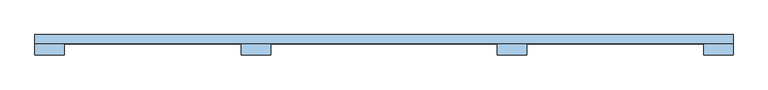
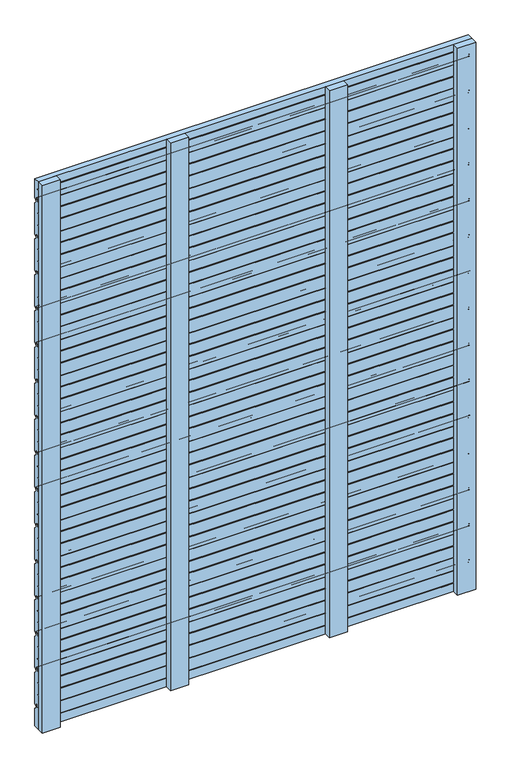
"""IFC4 building model written with IfcOpenShell, lengths in millimetres: window geometry."""

from ifc_helpers import new_model, si_unit, point, frame, frame_2d, origin, place, context, project, spatial, polyline, circle_curve, trimmed, segment, composite_curve, outline, extrude, source, transform, mapped, element, save


def window_2029d6dc(model_context):
    return source(origin(), model_context, "Body", "SweptSolid", [
        extrude(outline(composite_curve([segment(trimmed(circle_curve(frame_2d((129.5, 178.0)), 1.0), [point((130.5, 178.0))], [point((129.5, 177.0))], False, "CARTESIAN"), True, "CONTINUOUS"), segment(polyline([(129.5, 177.0), (124.5, 177.0), (124.5, 222.0), (130.5, 222.0), (130.5, 225.5), (124.5, 225.5), (124.5, 265.5), (130.5, 265.5), (130.5, 269.0), (124.5, 269.0), (124.5, 308.0), (131.0, 308.0), (131.0, 314.5)]), True, "CONTINUOUS"), segment(trimmed(circle_curve(frame_2d((132.5, 314.5)), 1.5), [point((131.0, 314.5))], [point((132.5, 316.0))], False, "CARTESIAN"), True, "CONTINUOUS"), segment(polyline([(132.5, 316.0), (135.5, 316.0)]), True, "CONTINUOUS"), segment(trimmed(circle_curve(frame_2d((135.5, 314.5)), 1.5), [point((135.5, 316.0))], [point((137.0, 314.5))], False, "CARTESIAN"), True, "CONTINUOUS"), segment(polyline([(137.0, 314.5), (137.0, 303.4142136)]), True, "CONTINUOUS"), segment(trimmed(circle_curve(frame_2d((138.0, 303.4142136)), 1.0), [point((137.0, 303.4142136))], [point((137.2928932, 302.7071068))], True, "CARTESIAN"), True, "CONTINUOUS"), segment(polyline([(137.2928932, 302.7071068), (143.5606602, 296.4393398)]), True, "CONTINUOUS"), segment(trimmed(circle_curve(frame_2d((142.5, 295.3786797)), 1.5), [point((143.5606602, 296.4393398))], [point((144.0, 295.3786797))], False, "CARTESIAN"), True, "CONTINUOUS"), segment(polyline([(144.0, 295.3786797), (144.0, 183.2071068)]), True, "CONTINUOUS"), segment(trimmed(circle_curve(frame_2d((142.5, 183.2071068)), 1.5), [point((144.0, 183.2071068))], [point((143.5606602, 182.1464466))], False, "CARTESIAN"), True, "CONTINUOUS"), segment(polyline([(143.5606602, 182.1464466), (138.7071068, 177.2928932)]), True, "CONTINUOUS"), segment(trimmed(circle_curve(frame_2d((138.0, 178.0)), 1.0), [point((138.7071068, 177.2928932))], [point((137.0, 178.0))], False, "CARTESIAN"), True, "CONTINUOUS"), segment(polyline([(137.0, 178.0), (137.0, 184.5)]), True, "CONTINUOUS"), segment(trimmed(circle_curve(frame_2d((135.5, 184.5)), 1.5), [point((137.0, 184.5))], [point((135.5, 186.0))], True, "CARTESIAN"), True, "CONTINUOUS"), segment(polyline([(135.5, 186.0), (132.0, 186.0)]), True, "CONTINUOUS"), segment(trimmed(circle_curve(frame_2d((132.0, 184.5)), 1.5), [point((132.0, 186.0))], [point((130.5, 184.5))], True, "CARTESIAN"), True, "CONTINUOUS"), segment(polyline([(130.5, 184.5), (130.5, 178.0)]), True, "CONTINUOUS")], self_intersect=False)), frame((-750.0, 0.0, 0.0), z_axis=(1.0, 0.0, 0.0), x_axis=(0.0, 1.0, 0.0)), (0.0, 0.0, 1.0), 1500.0),
        extrude(outline(composite_curve([segment(trimmed(circle_curve(frame_2d((129.5, 310.0)), 1.0), [point((130.5, 310.0))], [point((129.5, 309.0))], False, "CARTESIAN"), True, "CONTINUOUS"), segment(polyline([(129.5, 309.0), (124.5, 309.0), (124.5, 354.0), (130.5, 354.0), (130.5, 357.5), (124.5, 357.5), (124.5, 397.5), (130.5, 397.5), (130.5, 401.0), (124.5, 401.0), (124.5, 440.0), (131.0, 440.0), (131.0, 446.5)]), True, "CONTINUOUS"), segment(trimmed(circle_curve(frame_2d((132.5, 446.5)), 1.5), [point((131.0, 446.5))], [point((132.5, 448.0))], False, "CARTESIAN"), True, "CONTINUOUS"), segment(polyline([(132.5, 448.0), (135.5, 448.0)]), True, "CONTINUOUS"), segment(trimmed(circle_curve(frame_2d((135.5, 446.5)), 1.5), [point((135.5, 448.0))], [point((137.0, 446.5))], False, "CARTESIAN"), True, "CONTINUOUS"), segment(polyline([(137.0, 446.5), (137.0, 435.4142136)]), True, "CONTINUOUS"), segment(trimmed(circle_curve(frame_2d((138.0, 435.4142136)), 1.0), [point((137.0, 435.4142136))], [point((137.2928932, 434.7071068))], True, "CARTESIAN"), True, "CONTINUOUS"), segment(polyline([(137.2928932, 434.7071068), (143.5606602, 428.4393398)]), True, "CONTINUOUS"), segment(trimmed(circle_curve(frame_2d((142.5, 427.3786797)), 1.5), [point((143.5606602, 428.4393398))], [point((144.0, 427.3786797))], False, "CARTESIAN"), True, "CONTINUOUS"), segment(polyline([(144.0, 427.3786797), (144.0, 315.2071068)]), True, "CONTINUOUS"), segment(trimmed(circle_curve(frame_2d((142.5, 315.2071068)), 1.5), [point((144.0, 315.2071068))], [point((143.5606602, 314.1464466))], False, "CARTESIAN"), True, "CONTINUOUS"), segment(polyline([(143.5606602, 314.1464466), (138.7071068, 309.2928932)]), True, "CONTINUOUS"), segment(trimmed(circle_curve(frame_2d((138.0, 310.0)), 1.0), [point((138.7071068, 309.2928932))], [point((137.0, 310.0))], False, "CARTESIAN"), True, "CONTINUOUS"), segment(polyline([(137.0, 310.0), (137.0, 316.5)]), True, "CONTINUOUS"), segment(trimmed(circle_curve(frame_2d((135.5, 316.5)), 1.5), [point((137.0, 316.5))], [point((135.5, 318.0))], True, "CARTESIAN"), True, "CONTINUOUS"), segment(polyline([(135.5, 318.0), (132.0, 318.0)]), True, "CONTINUOUS"), segment(trimmed(circle_curve(frame_2d((132.0, 316.5)), 1.5), [point((132.0, 318.0))], [point((130.5, 316.5))], True, "CARTESIAN"), True, "CONTINUOUS"), segment(polyline([(130.5, 316.5), (130.5, 310.0)]), True, "CONTINUOUS")], self_intersect=False)), frame((-750.0, 0.0, 0.0), z_axis=(1.0, 0.0, 0.0), x_axis=(0.0, 1.0, 0.0)), (0.0, 0.0, 1.0), 1500.0),
        extrude(outline(composite_curve([segment(trimmed(circle_curve(frame_2d((129.5, 442.0)), 1.0), [point((130.5, 442.0))], [point((129.5, 441.0))], False, "CARTESIAN"), True, "CONTINUOUS"), segment(polyline([(129.5, 441.0), (124.5, 441.0), (124.5, 486.0), (130.5, 486.0), (130.5, 489.5), (124.5, 489.5), (124.5, 529.5), (130.5, 529.5), (130.5, 533.0), (124.5, 533.0), (124.5, 572.0), (131.0, 572.0), (131.0, 578.5)]), True, "CONTINUOUS"), segment(trimmed(circle_curve(frame_2d((132.5, 578.5)), 1.5), [point((131.0, 578.5))], [point((132.5, 580.0))], False, "CARTESIAN"), True, "CONTINUOUS"), segment(polyline([(132.5, 580.0), (135.5, 580.0)]), True, "CONTINUOUS"), segment(trimmed(circle_curve(frame_2d((135.5, 578.5)), 1.5), [point((135.5, 580.0))], [point((137.0, 578.5))], False, "CARTESIAN"), True, "CONTINUOUS"), segment(polyline([(137.0, 578.5), (137.0, 567.4142136)]), True, "CONTINUOUS"), segment(trimmed(circle_curve(frame_2d((138.0, 567.4142136)), 1.0), [point((137.0, 567.4142136))], [point((137.2928932, 566.7071068))], True, "CARTESIAN"), True, "CONTINUOUS"), segment(polyline([(137.2928932, 566.7071068), (143.5606602, 560.4393398)]), True, "CONTINUOUS"), segment(trimmed(circle_curve(frame_2d((142.5, 559.3786797)), 1.5), [point((143.5606602, 560.4393398))], [point((144.0, 559.3786797))], False, "CARTESIAN"), True, "CONTINUOUS"), segment(polyline([(144.0, 559.3786797), (144.0, 447.2071068)]), True, "CONTINUOUS"), segment(trimmed(circle_curve(frame_2d((142.5, 447.2071068)), 1.5), [point((144.0, 447.2071068))], [point((143.5606602, 446.1464466))], False, "CARTESIAN"), True, "CONTINUOUS"), segment(polyline([(143.5606602, 446.1464466), (138.7071068, 441.2928932)]), True, "CONTINUOUS"), segment(trimmed(circle_curve(frame_2d((138.0, 442.0)), 1.0), [point((138.7071068, 441.2928932))], [point((137.0, 442.0))], False, "CARTESIAN"), True, "CONTINUOUS"), segment(polyline([(137.0, 442.0), (137.0, 448.5)]), True, "CONTINUOUS"), segment(trimmed(circle_curve(frame_2d((135.5, 448.5)), 1.5), [point((137.0, 448.5))], [point((135.5, 450.0))], True, "CARTESIAN"), True, "CONTINUOUS"), segment(polyline([(135.5, 450.0), (132.0, 450.0)]), True, "CONTINUOUS"), segment(trimmed(circle_curve(frame_2d((132.0, 448.5)), 1.5), [point((132.0, 450.0))], [point((130.5, 448.5))], True, "CARTESIAN"), True, "CONTINUOUS"), segment(polyline([(130.5, 448.5), (130.5, 442.0)]), True, "CONTINUOUS")], self_intersect=False)), frame((-750.0, 0.0, 0.0), z_axis=(1.0, 0.0, 0.0), x_axis=(0.0, 1.0, 0.0)), (0.0, 0.0, 1.0), 1500.0),
        extrude(outline(composite_curve([segment(trimmed(circle_curve(frame_2d((129.5, 574.0)), 1.0), [point((130.5, 574.0))], [point((129.5, 573.0))], False, "CARTESIAN"), True, "CONTINUOUS"), segment(polyline([(129.5, 573.0), (124.5, 573.0), (124.5, 618.0), (130.5, 618.0), (130.5, 621.5), (124.5, 621.5), (124.5, 661.5), (130.5, 661.5), (130.5, 665.0), (124.5, 665.0), (124.5, 704.0), (131.0, 704.0), (131.0, 710.5)]), True, "CONTINUOUS"), segment(trimmed(circle_curve(frame_2d((132.5, 710.5)), 1.5), [point((131.0, 710.5))], [point((132.5, 712.0))], False, "CARTESIAN"), True, "CONTINUOUS"), segment(polyline([(132.5, 712.0), (135.5, 712.0)]), True, "CONTINUOUS"), segment(trimmed(circle_curve(frame_2d((135.5, 710.5)), 1.5), [point((135.5, 712.0))], [point((137.0, 710.5))], False, "CARTESIAN"), True, "CONTINUOUS"), segment(polyline([(137.0, 710.5), (137.0, 699.4142136)]), True, "CONTINUOUS"), segment(trimmed(circle_curve(frame_2d((138.0, 699.4142136)), 1.0), [point((137.0, 699.4142136))], [point((137.2928932, 698.7071068))], True, "CARTESIAN"), True, "CONTINUOUS"), segment(polyline([(137.2928932, 698.7071068), (143.5606602, 692.4393398)]), True, "CONTINUOUS"), segment(trimmed(circle_curve(frame_2d((142.5, 691.3786797)), 1.5), [point((143.5606602, 692.4393398))], [point((144.0, 691.3786797))], False, "CARTESIAN"), True, "CONTINUOUS"), segment(polyline([(144.0, 691.3786797), (144.0, 579.2071068)]), True, "CONTINUOUS"), segment(trimmed(circle_curve(frame_2d((142.5, 579.2071068)), 1.5), [point((144.0, 579.2071068))], [point((143.5606602, 578.1464466))], False, "CARTESIAN"), True, "CONTINUOUS"), segment(polyline([(143.5606602, 578.1464466), (138.7071068, 573.2928932)]), True, "CONTINUOUS"), segment(trimmed(circle_curve(frame_2d((138.0, 574.0)), 1.0), [point((138.7071068, 573.2928932))], [point((137.0, 574.0))], False, "CARTESIAN"), True, "CONTINUOUS"), segment(polyline([(137.0, 574.0), (137.0, 580.5)]), True, "CONTINUOUS"), segment(trimmed(circle_curve(frame_2d((135.5, 580.5)), 1.5), [point((137.0, 580.5))], [point((135.5, 582.0))], True, "CARTESIAN"), True, "CONTINUOUS"), segment(polyline([(135.5, 582.0), (132.0, 582.0)]), True, "CONTINUOUS"), segment(trimmed(circle_curve(frame_2d((132.0, 580.5)), 1.5), [point((132.0, 582.0))], [point((130.5, 580.5))], True, "CARTESIAN"), True, "CONTINUOUS"), segment(polyline([(130.5, 580.5), (130.5, 574.0)]), True, "CONTINUOUS")], self_intersect=False)), frame((-750.0, 0.0, 0.0), z_axis=(1.0, 0.0, 0.0), x_axis=(0.0, 1.0, 0.0)), (0.0, 0.0, 1.0), 1500.0),
        extrude(outline(composite_curve([segment(trimmed(circle_curve(frame_2d((129.5, 706.0)), 1.0), [point((130.5, 706.0))], [point((129.5, 705.0))], False, "CARTESIAN"), True, "CONTINUOUS"), segment(polyline([(129.5, 705.0), (124.5, 705.0), (124.5, 750.0), (130.5, 750.0), (130.5, 753.5), (124.5, 753.5), (124.5, 793.5), (130.5, 793.5), (130.5, 797.0), (124.5, 797.0), (124.5, 836.0), (131.0, 836.0), (131.0, 842.5)]), True, "CONTINUOUS"), segment(trimmed(circle_curve(frame_2d((132.5, 842.5)), 1.5), [point((131.0, 842.5))], [point((132.5, 844.0))], False, "CARTESIAN"), True, "CONTINUOUS"), segment(polyline([(132.5, 844.0), (135.5, 844.0)]), True, "CONTINUOUS"), segment(trimmed(circle_curve(frame_2d((135.5, 842.5)), 1.5), [point((135.5, 844.0))], [point((137.0, 842.5))], False, "CARTESIAN"), True, "CONTINUOUS"), segment(polyline([(137.0, 842.5), (137.0, 831.4142136)]), True, "CONTINUOUS"), segment(trimmed(circle_curve(frame_2d((138.0, 831.4142136)), 1.0), [point((137.0, 831.4142136))], [point((137.2928932, 830.7071068))], True, "CARTESIAN"), True, "CONTINUOUS"), segment(polyline([(137.2928932, 830.7071068), (143.5606602, 824.4393398)]), True, "CONTINUOUS"), segment(trimmed(circle_curve(frame_2d((142.5, 823.3786797)), 1.5), [point((143.5606602, 824.4393398))], [point((144.0, 823.3786797))], False, "CARTESIAN"), True, "CONTINUOUS"), segment(polyline([(144.0, 823.3786797), (144.0, 711.2071068)]), True, "CONTINUOUS"), segment(trimmed(circle_curve(frame_2d((142.5, 711.2071068)), 1.5), [point((144.0, 711.2071068))], [point((143.5606602, 710.1464466))], False, "CARTESIAN"), True, "CONTINUOUS"), segment(polyline([(143.5606602, 710.1464466), (138.7071068, 705.2928932)]), True, "CONTINUOUS"), segment(trimmed(circle_curve(frame_2d((138.0, 706.0)), 1.0), [point((138.7071068, 705.2928932))], [point((137.0, 706.0))], False, "CARTESIAN"), True, "CONTINUOUS"), segment(polyline([(137.0, 706.0), (137.0, 712.5)]), True, "CONTINUOUS"), segment(trimmed(circle_curve(frame_2d((135.5, 712.5)), 1.5), [point((137.0, 712.5))], [point((135.5, 714.0))], True, "CARTESIAN"), True, "CONTINUOUS"), segment(polyline([(135.5, 714.0), (132.0, 714.0)]), True, "CONTINUOUS"), segment(trimmed(circle_curve(frame_2d((132.0, 712.5)), 1.5), [point((132.0, 714.0))], [point((130.5, 712.5))], True, "CARTESIAN"), True, "CONTINUOUS"), segment(polyline([(130.5, 712.5), (130.5, 706.0)]), True, "CONTINUOUS")], self_intersect=False)), frame((-750.0, 0.0, 0.0), z_axis=(1.0, 0.0, 0.0), x_axis=(0.0, 1.0, 0.0)), (0.0, 0.0, 1.0), 1500.0),
        extrude(outline(composite_curve([segment(trimmed(circle_curve(frame_2d((129.5, 838.0)), 1.0), [point((130.5, 838.0))], [point((129.5, 837.0))], False, "CARTESIAN"), True, "CONTINUOUS"), segment(polyline([(129.5, 837.0), (124.5, 837.0), (124.5, 882.0), (130.5, 882.0), (130.5, 885.5), (124.5, 885.5), (124.5, 925.5), (130.5, 925.5), (130.5, 929.0), (124.5, 929.0), (124.5, 968.0), (131.0, 968.0), (131.0, 974.5)]), True, "CONTINUOUS"), segment(trimmed(circle_curve(frame_2d((132.5, 974.5)), 1.5), [point((131.0, 974.5))], [point((132.5, 976.0))], False, "CARTESIAN"), True, "CONTINUOUS"), segment(polyline([(132.5, 976.0), (135.5, 976.0)]), True, "CONTINUOUS"), segment(trimmed(circle_curve(frame_2d((135.5, 974.5)), 1.5), [point((135.5, 976.0))], [point((137.0, 974.5))], False, "CARTESIAN"), True, "CONTINUOUS"), segment(polyline([(137.0, 974.5), (137.0, 963.4142136)]), True, "CONTINUOUS"), segment(trimmed(circle_curve(frame_2d((138.0, 963.4142136)), 1.0), [point((137.0, 963.4142136))], [point((137.2928932, 962.7071068))], True, "CARTESIAN"), True, "CONTINUOUS"), segment(polyline([(137.2928932, 962.7071068), (143.5606602, 956.4393398)]), True, "CONTINUOUS"), segment(trimmed(circle_curve(frame_2d((142.5, 955.3786797)), 1.5), [point((143.5606602, 956.4393398))], [point((144.0, 955.3786797))], False, "CARTESIAN"), True, "CONTINUOUS"), segment(polyline([(144.0, 955.3786797), (144.0, 843.2071068)]), True, "CONTINUOUS"), segment(trimmed(circle_curve(frame_2d((142.5, 843.2071068)), 1.5), [point((144.0, 843.2071068))], [point((143.5606602, 842.1464466))], False, "CARTESIAN"), True, "CONTINUOUS"), segment(polyline([(143.5606602, 842.1464466), (138.7071068, 837.2928932)]), True, "CONTINUOUS"), segment(trimmed(circle_curve(frame_2d((138.0, 838.0)), 1.0), [point((138.7071068, 837.2928932))], [point((137.0, 838.0))], False, "CARTESIAN"), True, "CONTINUOUS"), segment(polyline([(137.0, 838.0), (137.0, 844.5)]), True, "CONTINUOUS"), segment(trimmed(circle_curve(frame_2d((135.5, 844.5)), 1.5), [point((137.0, 844.5))], [point((135.5, 846.0))], True, "CARTESIAN"), True, "CONTINUOUS"), segment(polyline([(135.5, 846.0), (132.0, 846.0)]), True, "CONTINUOUS"), segment(trimmed(circle_curve(frame_2d((132.0, 844.5)), 1.5), [point((132.0, 846.0))], [point((130.5, 844.5))], True, "CARTESIAN"), True, "CONTINUOUS"), segment(polyline([(130.5, 844.5), (130.5, 838.0)]), True, "CONTINUOUS")], self_intersect=False)), frame((-750.0, 0.0, 0.0), z_axis=(1.0, 0.0, 0.0), x_axis=(0.0, 1.0, 0.0)), (0.0, 0.0, 1.0), 1500.0),
        extrude(outline(composite_curve([segment(trimmed(circle_curve(frame_2d((129.5, 970.0)), 1.0), [point((130.5, 970.0))], [point((129.5, 969.0))], False, "CARTESIAN"), True, "CONTINUOUS"), segment(polyline([(129.5, 969.0), (124.5, 969.0), (124.5, 1014.0), (130.5, 1014.0), (130.5, 1017.5), (124.5, 1017.5), (124.5, 1057.5), (130.5, 1057.5), (130.5, 1061.0), (124.5, 1061.0), (124.5, 1100.0), (131.0, 1100.0), (131.0, 1106.5)]), True, "CONTINUOUS"), segment(trimmed(circle_curve(frame_2d((132.5, 1106.5)), 1.5), [point((131.0, 1106.5))], [point((132.5, 1108.0))], False, "CARTESIAN"), True, "CONTINUOUS"), segment(polyline([(132.5, 1108.0), (135.5, 1108.0)]), True, "CONTINUOUS"), segment(trimmed(circle_curve(frame_2d((135.5, 1106.5)), 1.5), [point((135.5, 1108.0))], [point((137.0, 1106.5))], False, "CARTESIAN"), True, "CONTINUOUS"), segment(polyline([(137.0, 1106.5), (137.0, 1095.4142136)]), True, "CONTINUOUS"), segment(trimmed(circle_curve(frame_2d((138.0, 1095.4142136)), 1.0), [point((137.0, 1095.4142136))], [point((137.2928932, 1094.7071068))], True, "CARTESIAN"), True, "CONTINUOUS"), segment(polyline([(137.2928932, 1094.7071068), (143.5606602, 1088.4393398)]), True, "CONTINUOUS"), segment(trimmed(circle_curve(frame_2d((142.5, 1087.3786797)), 1.5), [point((143.5606602, 1088.4393398))], [point((144.0, 1087.3786797))], False, "CARTESIAN"), True, "CONTINUOUS"), segment(polyline([(144.0, 1087.3786797), (144.0, 975.2071068)]), True, "CONTINUOUS"), segment(trimmed(circle_curve(frame_2d((142.5, 975.2071068)), 1.5), [point((144.0, 975.2071068))], [point((143.5606602, 974.1464466))], False, "CARTESIAN"), True, "CONTINUOUS"), segment(polyline([(143.5606602, 974.1464466), (138.7071068, 969.2928932)]), True, "CONTINUOUS"), segment(trimmed(circle_curve(frame_2d((138.0, 970.0)), 1.0), [point((138.7071068, 969.2928932))], [point((137.0, 970.0))], False, "CARTESIAN"), True, "CONTINUOUS"), segment(polyline([(137.0, 970.0), (137.0, 976.5)]), True, "CONTINUOUS"), segment(trimmed(circle_curve(frame_2d((135.5, 976.5)), 1.5), [point((137.0, 976.5))], [point((135.5, 978.0))], True, "CARTESIAN"), True, "CONTINUOUS"), segment(polyline([(135.5, 978.0), (132.0, 978.0)]), True, "CONTINUOUS"), segment(trimmed(circle_curve(frame_2d((132.0, 976.5)), 1.5), [point((132.0, 978.0))], [point((130.5, 976.5))], True, "CARTESIAN"), True, "CONTINUOUS"), segment(polyline([(130.5, 976.5), (130.5, 970.0)]), True, "CONTINUOUS")], self_intersect=False)), frame((-750.0, 0.0, 0.0), z_axis=(1.0, 0.0, 0.0), x_axis=(0.0, 1.0, 0.0)), (0.0, 0.0, 1.0), 1500.0),
        extrude(outline(composite_curve([segment(trimmed(circle_curve(frame_2d((129.5, 1102.0)), 1.0), [point((130.5, 1102.0))], [point((129.5, 1101.0))], False, "CARTESIAN"), True, "CONTINUOUS"), segment(polyline([(129.5, 1101.0), (124.5, 1101.0), (124.5, 1146.0), (130.5, 1146.0), (130.5, 1149.5), (124.5, 1149.5), (124.5, 1189.5), (130.5, 1189.5), (130.5, 1193.0), (124.5, 1193.0), (124.5, 1232.0), (131.0, 1232.0), (131.0, 1238.5)]), True, "CONTINUOUS"), segment(trimmed(circle_curve(frame_2d((132.5, 1238.5)), 1.5), [point((131.0, 1238.5))], [point((132.5, 1240.0))], False, "CARTESIAN"), True, "CONTINUOUS"), segment(polyline([(132.5, 1240.0), (135.5, 1240.0)]), True, "CONTINUOUS"), segment(trimmed(circle_curve(frame_2d((135.5, 1238.5)), 1.5), [point((135.5, 1240.0))], [point((137.0, 1238.5))], False, "CARTESIAN"), True, "CONTINUOUS"), segment(polyline([(137.0, 1238.5), (137.0, 1227.4142136)]), True, "CONTINUOUS"), segment(trimmed(circle_curve(frame_2d((138.0, 1227.4142136)), 1.0), [point((137.0, 1227.4142136))], [point((137.2928932, 1226.7071068))], True, "CARTESIAN"), True, "CONTINUOUS"), segment(polyline([(137.2928932, 1226.7071068), (143.5606602, 1220.4393398)]), True, "CONTINUOUS"), segment(trimmed(circle_curve(frame_2d((142.5, 1219.3786797)), 1.5), [point((143.5606602, 1220.4393398))], [point((144.0, 1219.3786797))], False, "CARTESIAN"), True, "CONTINUOUS"), segment(polyline([(144.0, 1219.3786797), (144.0, 1107.2071068)]), True, "CONTINUOUS"), segment(trimmed(circle_curve(frame_2d((142.5, 1107.2071068)), 1.5), [point((144.0, 1107.2071068))], [point((143.5606602, 1106.1464466))], False, "CARTESIAN"), True, "CONTINUOUS"), segment(polyline([(143.5606602, 1106.1464466), (138.7071068, 1101.2928932)]), True, "CONTINUOUS"), segment(trimmed(circle_curve(frame_2d((138.0, 1102.0)), 1.0), [point((138.7071068, 1101.2928932))], [point((137.0, 1102.0))], False, "CARTESIAN"), True, "CONTINUOUS"), segment(polyline([(137.0, 1102.0), (137.0, 1108.5)]), True, "CONTINUOUS"), segment(trimmed(circle_curve(frame_2d((135.5, 1108.5)), 1.5), [point((137.0, 1108.5))], [point((135.5, 1110.0))], True, "CARTESIAN"), True, "CONTINUOUS"), segment(polyline([(135.5, 1110.0), (132.0, 1110.0)]), True, "CONTINUOUS"), segment(trimmed(circle_curve(frame_2d((132.0, 1108.5)), 1.5), [point((132.0, 1110.0))], [point((130.5, 1108.5))], True, "CARTESIAN"), True, "CONTINUOUS"), segment(polyline([(130.5, 1108.5), (130.5, 1102.0)]), True, "CONTINUOUS")], self_intersect=False)), frame((-750.0, 0.0, 0.0), z_axis=(1.0, 0.0, 0.0), x_axis=(0.0, 1.0, 0.0)), (0.0, 0.0, 1.0), 1500.0),
        extrude(outline(composite_curve([segment(trimmed(circle_curve(frame_2d((129.5, 1234.0)), 1.0), [point((130.5, 1234.0))], [point((129.5, 1233.0))], False, "CARTESIAN"), True, "CONTINUOUS"), segment(polyline([(129.5, 1233.0), (124.5, 1233.0), (124.5, 1278.0), (130.5, 1278.0), (130.5, 1281.5), (124.5, 1281.5), (124.5, 1321.5), (130.5, 1321.5), (130.5, 1325.0), (124.5, 1325.0), (124.5, 1364.0), (131.0, 1364.0), (131.0, 1370.5)]), True, "CONTINUOUS"), segment(trimmed(circle_curve(frame_2d((132.5, 1370.5)), 1.5), [point((131.0, 1370.5))], [point((132.5, 1372.0))], False, "CARTESIAN"), True, "CONTINUOUS"), segment(polyline([(132.5, 1372.0), (135.5, 1372.0)]), True, "CONTINUOUS"), segment(trimmed(circle_curve(frame_2d((135.5, 1370.5)), 1.5), [point((135.5, 1372.0))], [point((137.0, 1370.5))], False, "CARTESIAN"), True, "CONTINUOUS"), segment(polyline([(137.0, 1370.5), (137.0, 1359.4142136)]), True, "CONTINUOUS"), segment(trimmed(circle_curve(frame_2d((138.0, 1359.4142136)), 1.0), [point((137.0, 1359.4142136))], [point((137.2928932, 1358.7071068))], True, "CARTESIAN"), True, "CONTINUOUS"), segment(polyline([(137.2928932, 1358.7071068), (143.5606602, 1352.4393398)]), True, "CONTINUOUS"), segment(trimmed(circle_curve(frame_2d((142.5, 1351.3786797)), 1.5), [point((143.5606602, 1352.4393398))], [point((144.0, 1351.3786797))], False, "CARTESIAN"), True, "CONTINUOUS"), segment(polyline([(144.0, 1351.3786797), (144.0, 1239.2071068)]), True, "CONTINUOUS"), segment(trimmed(circle_curve(frame_2d((142.5, 1239.2071068)), 1.5), [point((144.0, 1239.2071068))], [point((143.5606602, 1238.1464466))], False, "CARTESIAN"), True, "CONTINUOUS"), segment(polyline([(143.5606602, 1238.1464466), (138.7071068, 1233.2928932)]), True, "CONTINUOUS"), segment(trimmed(circle_curve(frame_2d((138.0, 1234.0)), 1.0), [point((138.7071068, 1233.2928932))], [point((137.0, 1234.0))], False, "CARTESIAN"), True, "CONTINUOUS"), segment(polyline([(137.0, 1234.0), (137.0, 1240.5)]), True, "CONTINUOUS"), segment(trimmed(circle_curve(frame_2d((135.5, 1240.5)), 1.5), [point((137.0, 1240.5))], [point((135.5, 1242.0))], True, "CARTESIAN"), True, "CONTINUOUS"), segment(polyline([(135.5, 1242.0), (132.0, 1242.0)]), True, "CONTINUOUS"), segment(trimmed(circle_curve(frame_2d((132.0, 1240.5)), 1.5), [point((132.0, 1242.0))], [point((130.5, 1240.5))], True, "CARTESIAN"), True, "CONTINUOUS"), segment(polyline([(130.5, 1240.5), (130.5, 1234.0)]), True, "CONTINUOUS")], self_intersect=False)), frame((-750.0, 0.0, 0.0), z_axis=(1.0, 0.0, 0.0), x_axis=(0.0, 1.0, 0.0)), (0.0, 0.0, 1.0), 1500.0),
        extrude(outline(composite_curve([segment(trimmed(circle_curve(frame_2d((129.5, 1366.0)), 1.0), [point((130.5, 1366.0))], [point((129.5, 1365.0))], False, "CARTESIAN"), True, "CONTINUOUS"), segment(polyline([(129.5, 1365.0), (124.5, 1365.0), (124.5, 1410.0), (130.5, 1410.0), (130.5, 1413.5), (124.5, 1413.5), (124.5, 1453.5), (130.5, 1453.5), (130.5, 1457.0), (124.5, 1457.0), (124.5, 1496.0), (131.0, 1496.0), (131.0, 1502.5)]), True, "CONTINUOUS"), segment(trimmed(circle_curve(frame_2d((132.5, 1502.5)), 1.5), [point((131.0, 1502.5))], [point((132.5, 1504.0))], False, "CARTESIAN"), True, "CONTINUOUS"), segment(polyline([(132.5, 1504.0), (135.5, 1504.0)]), True, "CONTINUOUS"), segment(trimmed(circle_curve(frame_2d((135.5, 1502.5)), 1.5), [point((135.5, 1504.0))], [point((137.0, 1502.5))], False, "CARTESIAN"), True, "CONTINUOUS"), segment(polyline([(137.0, 1502.5), (137.0, 1491.4142136)]), True, "CONTINUOUS"), segment(trimmed(circle_curve(frame_2d((138.0, 1491.4142136)), 1.0), [point((137.0, 1491.4142136))], [point((137.2928932, 1490.7071068))], True, "CARTESIAN"), True, "CONTINUOUS"), segment(polyline([(137.2928932, 1490.7071068), (143.5606602, 1484.4393398)]), True, "CONTINUOUS"), segment(trimmed(circle_curve(frame_2d((142.5, 1483.3786797)), 1.5), [point((143.5606602, 1484.4393398))], [point((144.0, 1483.3786797))], False, "CARTESIAN"), True, "CONTINUOUS"), segment(polyline([(144.0, 1483.3786797), (144.0, 1371.2071068)]), True, "CONTINUOUS"), segment(trimmed(circle_curve(frame_2d((142.5, 1371.2071068)), 1.5), [point((144.0, 1371.2071068))], [point((143.5606602, 1370.1464466))], False, "CARTESIAN"), True, "CONTINUOUS"), segment(polyline([(143.5606602, 1370.1464466), (138.7071068, 1365.2928932)]), True, "CONTINUOUS"), segment(trimmed(circle_curve(frame_2d((138.0, 1366.0)), 1.0), [point((138.7071068, 1365.2928932))], [point((137.0, 1366.0))], False, "CARTESIAN"), True, "CONTINUOUS"), segment(polyline([(137.0, 1366.0), (137.0, 1372.5)]), True, "CONTINUOUS"), segment(trimmed(circle_curve(frame_2d((135.5, 1372.5)), 1.5), [point((137.0, 1372.5))], [point((135.5, 1374.0))], True, "CARTESIAN"), True, "CONTINUOUS"), segment(polyline([(135.5, 1374.0), (132.0, 1374.0)]), True, "CONTINUOUS"), segment(trimmed(circle_curve(frame_2d((132.0, 1372.5)), 1.5), [point((132.0, 1374.0))], [point((130.5, 1372.5))], True, "CARTESIAN"), True, "CONTINUOUS"), segment(polyline([(130.5, 1372.5), (130.5, 1366.0)]), True, "CONTINUOUS")], self_intersect=False)), frame((-750.0, 0.0, 0.0), z_axis=(1.0, 0.0, 0.0), x_axis=(0.0, 1.0, 0.0)), (0.0, 0.0, 1.0), 1500.0),
        extrude(outline(composite_curve([segment(trimmed(circle_curve(frame_2d((129.5, 1498.0)), 1.0), [point((130.5, 1498.0))], [point((129.5, 1497.0))], False, "CARTESIAN"), True, "CONTINUOUS"), segment(polyline([(129.5, 1497.0), (124.5, 1497.0), (124.5, 1542.0), (130.5, 1542.0), (130.5, 1545.5), (124.5, 1545.5), (124.5, 1585.5), (130.5, 1585.5), (130.5, 1589.0), (124.5, 1589.0), (124.5, 1628.0), (131.0, 1628.0), (131.0, 1634.5)]), True, "CONTINUOUS"), segment(trimmed(circle_curve(frame_2d((132.5, 1634.5)), 1.5), [point((131.0, 1634.5))], [point((132.5, 1636.0))], False, "CARTESIAN"), True, "CONTINUOUS"), segment(polyline([(132.5, 1636.0), (135.5, 1636.0)]), True, "CONTINUOUS"), segment(trimmed(circle_curve(frame_2d((135.5, 1634.5)), 1.5), [point((135.5, 1636.0))], [point((137.0, 1634.5))], False, "CARTESIAN"), True, "CONTINUOUS"), segment(polyline([(137.0, 1634.5), (137.0, 1623.4142136)]), True, "CONTINUOUS"), segment(trimmed(circle_curve(frame_2d((138.0, 1623.4142136)), 1.0), [point((137.0, 1623.4142136))], [point((137.2928932, 1622.7071068))], True, "CARTESIAN"), True, "CONTINUOUS"), segment(polyline([(137.2928932, 1622.7071068), (143.5606602, 1616.4393398)]), True, "CONTINUOUS"), segment(trimmed(circle_curve(frame_2d((142.5, 1615.3786797)), 1.5), [point((143.5606602, 1616.4393398))], [point((144.0, 1615.3786797))], False, "CARTESIAN"), True, "CONTINUOUS"), segment(polyline([(144.0, 1615.3786797), (144.0, 1503.2071068)]), True, "CONTINUOUS"), segment(trimmed(circle_curve(frame_2d((142.5, 1503.2071068)), 1.5), [point((144.0, 1503.2071068))], [point((143.5606602, 1502.1464466))], False, "CARTESIAN"), True, "CONTINUOUS"), segment(polyline([(143.5606602, 1502.1464466), (138.7071068, 1497.2928932)]), True, "CONTINUOUS"), segment(trimmed(circle_curve(frame_2d((138.0, 1498.0)), 1.0), [point((138.7071068, 1497.2928932))], [point((137.0, 1498.0))], False, "CARTESIAN"), True, "CONTINUOUS"), segment(polyline([(137.0, 1498.0), (137.0, 1504.5)]), True, "CONTINUOUS"), segment(trimmed(circle_curve(frame_2d((135.5, 1504.5)), 1.5), [point((137.0, 1504.5))], [point((135.5, 1506.0))], True, "CARTESIAN"), True, "CONTINUOUS"), segment(polyline([(135.5, 1506.0), (132.0, 1506.0)]), True, "CONTINUOUS"), segment(trimmed(circle_curve(frame_2d((132.0, 1504.5)), 1.5), [point((132.0, 1506.0))], [point((130.5, 1504.5))], True, "CARTESIAN"), True, "CONTINUOUS"), segment(polyline([(130.5, 1504.5), (130.5, 1498.0)]), True, "CONTINUOUS")], self_intersect=False)), frame((-750.0, 0.0, 0.0), z_axis=(1.0, 0.0, 0.0), x_axis=(0.0, 1.0, 0.0)), (0.0, 0.0, 1.0), 1500.0),
        extrude(outline(composite_curve([segment(trimmed(circle_curve(frame_2d((129.5, 1630.0)), 1.0), [point((130.5, 1630.0))], [point((129.5, 1629.0))], False, "CARTESIAN"), True, "CONTINUOUS"), segment(polyline([(129.5, 1629.0), (124.5, 1629.0), (124.5, 1674.0), (130.5, 1674.0), (130.5, 1677.5), (124.5, 1677.5), (124.5, 1717.5), (130.5, 1717.5), (130.5, 1721.0), (124.5, 1721.0), (124.5, 1760.0), (131.0, 1760.0), (131.0, 1766.5)]), True, "CONTINUOUS"), segment(trimmed(circle_curve(frame_2d((132.5, 1766.5)), 1.5), [point((131.0, 1766.5))], [point((132.5, 1768.0))], False, "CARTESIAN"), True, "CONTINUOUS"), segment(polyline([(132.5, 1768.0), (135.5, 1768.0)]), True, "CONTINUOUS"), segment(trimmed(circle_curve(frame_2d((135.5, 1766.5)), 1.5), [point((135.5, 1768.0))], [point((137.0, 1766.5))], False, "CARTESIAN"), True, "CONTINUOUS"), segment(polyline([(137.0, 1766.5), (137.0, 1755.4142136)]), True, "CONTINUOUS"), segment(trimmed(circle_curve(frame_2d((138.0, 1755.4142136)), 1.0), [point((137.0, 1755.4142136))], [point((137.2928932, 1754.7071068))], True, "CARTESIAN"), True, "CONTINUOUS"), segment(polyline([(137.2928932, 1754.7071068), (143.5606602, 1748.4393398)]), True, "CONTINUOUS"), segment(trimmed(circle_curve(frame_2d((142.5, 1747.3786797)), 1.5), [point((143.5606602, 1748.4393398))], [point((144.0, 1747.3786797))], False, "CARTESIAN"), True, "CONTINUOUS"), segment(polyline([(144.0, 1747.3786797), (144.0, 1635.2071068)]), True, "CONTINUOUS"), segment(trimmed(circle_curve(frame_2d((142.5, 1635.2071068)), 1.5), [point((144.0, 1635.2071068))], [point((143.5606602, 1634.1464466))], False, "CARTESIAN"), True, "CONTINUOUS"), segment(polyline([(143.5606602, 1634.1464466), (138.7071068, 1629.2928932)]), True, "CONTINUOUS"), segment(trimmed(circle_curve(frame_2d((138.0, 1630.0)), 1.0), [point((138.7071068, 1629.2928932))], [point((137.0, 1630.0))], False, "CARTESIAN"), True, "CONTINUOUS"), segment(polyline([(137.0, 1630.0), (137.0, 1636.5)]), True, "CONTINUOUS"), segment(trimmed(circle_curve(frame_2d((135.5, 1636.5)), 1.5), [point((137.0, 1636.5))], [point((135.5, 1638.0))], True, "CARTESIAN"), True, "CONTINUOUS"), segment(polyline([(135.5, 1638.0), (132.0, 1638.0)]), True, "CONTINUOUS"), segment(trimmed(circle_curve(frame_2d((132.0, 1636.5)), 1.5), [point((132.0, 1638.0))], [point((130.5, 1636.5))], True, "CARTESIAN"), True, "CONTINUOUS"), segment(polyline([(130.5, 1636.5), (130.5, 1630.0)]), True, "CONTINUOUS")], self_intersect=False)), frame((-750.0, 0.0, 0.0), z_axis=(1.0, 0.0, 0.0), x_axis=(0.0, 1.0, 0.0)), (0.0, 0.0, 1.0), 1500.0),
        extrude(outline(composite_curve([segment(trimmed(circle_curve(frame_2d((129.5, 1762.0)), 1.0), [point((130.5, 1762.0))], [point((129.5, 1761.0))], False, "CARTESIAN"), True, "CONTINUOUS"), segment(polyline([(129.5, 1761.0), (124.5, 1761.0), (124.5, 1806.0), (130.5, 1806.0), (130.5, 1809.5), (124.5, 1809.5), (124.5, 1849.5), (130.5, 1849.5), (130.5, 1853.0), (124.5, 1853.0), (124.5, 1892.0), (131.0, 1892.0), (131.0, 1898.5)]), True, "CONTINUOUS"), segment(trimmed(circle_curve(frame_2d((132.5, 1898.5)), 1.5), [point((131.0, 1898.5))], [point((132.5, 1900.0))], False, "CARTESIAN"), True, "CONTINUOUS"), segment(polyline([(132.5, 1900.0), (135.5, 1900.0)]), True, "CONTINUOUS"), segment(trimmed(circle_curve(frame_2d((135.5, 1898.5)), 1.5), [point((135.5, 1900.0))], [point((137.0, 1898.5))], False, "CARTESIAN"), True, "CONTINUOUS"), segment(polyline([(137.0, 1898.5), (137.0, 1887.4142136)]), True, "CONTINUOUS"), segment(trimmed(circle_curve(frame_2d((138.0, 1887.4142136)), 1.0), [point((137.0, 1887.4142136))], [point((137.2928932, 1886.7071068))], True, "CARTESIAN"), True, "CONTINUOUS"), segment(polyline([(137.2928932, 1886.7071068), (143.5606602, 1880.4393398)]), True, "CONTINUOUS"), segment(trimmed(circle_curve(frame_2d((142.5, 1879.3786797)), 1.5), [point((143.5606602, 1880.4393398))], [point((144.0, 1879.3786797))], False, "CARTESIAN"), True, "CONTINUOUS"), segment(polyline([(144.0, 1879.3786797), (144.0, 1767.2071068)]), True, "CONTINUOUS"), segment(trimmed(circle_curve(frame_2d((142.5, 1767.2071068)), 1.5), [point((144.0, 1767.2071068))], [point((143.5606602, 1766.1464466))], False, "CARTESIAN"), True, "CONTINUOUS"), segment(polyline([(143.5606602, 1766.1464466), (138.7071068, 1761.2928932)]), True, "CONTINUOUS"), segment(trimmed(circle_curve(frame_2d((138.0, 1762.0)), 1.0), [point((138.7071068, 1761.2928932))], [point((137.0, 1762.0))], False, "CARTESIAN"), True, "CONTINUOUS"), segment(polyline([(137.0, 1762.0), (137.0, 1768.5)]), True, "CONTINUOUS"), segment(trimmed(circle_curve(frame_2d((135.5, 1768.5)), 1.5), [point((137.0, 1768.5))], [point((135.5, 1770.0))], True, "CARTESIAN"), True, "CONTINUOUS"), segment(polyline([(135.5, 1770.0), (132.0, 1770.0)]), True, "CONTINUOUS"), segment(trimmed(circle_curve(frame_2d((132.0, 1768.5)), 1.5), [point((132.0, 1770.0))], [point((130.5, 1768.5))], True, "CARTESIAN"), True, "CONTINUOUS"), segment(polyline([(130.5, 1768.5), (130.5, 1762.0)]), True, "CONTINUOUS")], self_intersect=False)), frame((-750.0, 0.0, 0.0), z_axis=(1.0, 0.0, 0.0), x_axis=(0.0, 1.0, 0.0)), (0.0, 0.0, 1.0), 1500.0),
        extrude(outline(composite_curve([segment(trimmed(circle_curve(frame_2d((129.5, 1894.0)), 1.0), [point((130.5, 1894.0))], [point((129.5, 1893.0))], False, "CARTESIAN"), True, "CONTINUOUS"), segment(polyline([(129.5, 1893.0), (124.5, 1893.0), (124.5, 1938.0), (130.5, 1938.0), (130.5, 1941.5), (124.5, 1941.5), (124.5, 1981.5), (130.5, 1981.5), (130.5, 1985.0), (124.5, 1985.0), (124.5, 2024.0), (131.0, 2024.0), (131.0, 2030.5)]), True, "CONTINUOUS"), segment(trimmed(circle_curve(frame_2d((132.5, 2030.5)), 1.5), [point((131.0, 2030.5))], [point((132.5, 2032.0))], False, "CARTESIAN"), True, "CONTINUOUS"), segment(polyline([(132.5, 2032.0), (135.5, 2032.0)]), True, "CONTINUOUS"), segment(trimmed(circle_curve(frame_2d((135.5, 2030.5)), 1.5), [point((135.5, 2032.0))], [point((137.0, 2030.5))], False, "CARTESIAN"), True, "CONTINUOUS"), segment(polyline([(137.0, 2030.5), (137.0, 2019.4142136)]), True, "CONTINUOUS"), segment(trimmed(circle_curve(frame_2d((138.0, 2019.4142136)), 1.0), [point((137.0, 2019.4142136))], [point((137.2928932, 2018.7071068))], True, "CARTESIAN"), True, "CONTINUOUS"), segment(polyline([(137.2928932, 2018.7071068), (143.5606602, 2012.4393398)]), True, "CONTINUOUS"), segment(trimmed(circle_curve(frame_2d((142.5, 2011.3786797)), 1.5), [point((143.5606602, 2012.4393398))], [point((144.0, 2011.3786797))], False, "CARTESIAN"), True, "CONTINUOUS"), segment(polyline([(144.0, 2011.3786797), (144.0, 1899.2071068)]), True, "CONTINUOUS"), segment(trimmed(circle_curve(frame_2d((142.5, 1899.2071068)), 1.5), [point((144.0, 1899.2071068))], [point((143.5606602, 1898.1464466))], False, "CARTESIAN"), True, "CONTINUOUS"), segment(polyline([(143.5606602, 1898.1464466), (138.7071068, 1893.2928932)]), True, "CONTINUOUS"), segment(trimmed(circle_curve(frame_2d((138.0, 1894.0)), 1.0), [point((138.7071068, 1893.2928932))], [point((137.0, 1894.0))], False, "CARTESIAN"), True, "CONTINUOUS"), segment(polyline([(137.0, 1894.0), (137.0, 1900.5)]), True, "CONTINUOUS"), segment(trimmed(circle_curve(frame_2d((135.5, 1900.5)), 1.5), [point((137.0, 1900.5))], [point((135.5, 1902.0))], True, "CARTESIAN"), True, "CONTINUOUS"), segment(polyline([(135.5, 1902.0), (132.0, 1902.0)]), True, "CONTINUOUS"), segment(trimmed(circle_curve(frame_2d((132.0, 1900.5)), 1.5), [point((132.0, 1902.0))], [point((130.5, 1900.5))], True, "CARTESIAN"), True, "CONTINUOUS"), segment(polyline([(130.5, 1900.5), (130.5, 1894.0)]), True, "CONTINUOUS")], self_intersect=False)), frame((-750.0, 0.0, 0.0), z_axis=(1.0, 0.0, 0.0), x_axis=(0.0, 1.0, 0.0)), (0.0, 0.0, 1.0), 1500.0),
        extrude(outline(composite_curve([segment(trimmed(circle_curve(frame_2d((142.5, 163.3786797)), 1.5), [point((143.5606602, 164.4393398))], [point((144.0, 163.3786797))], False, "CARTESIAN"), True, "CONTINUOUS"), segment(polyline([(144.0, 163.3786797), (144.0, 100.0), (124.5, 100.0), (124.5, 129.4389298), (130.5, 129.4389298), (130.5, 132.9389298), (124.5, 132.9389298), (124.5, 176.0), (131.0, 176.0), (131.0, 182.5)]), True, "CONTINUOUS"), segment(trimmed(circle_curve(frame_2d((132.5, 182.5)), 1.5), [point((131.0, 182.5))], [point((132.5, 184.0))], False, "CARTESIAN"), True, "CONTINUOUS"), segment(polyline([(132.5, 184.0), (135.5, 184.0)]), True, "CONTINUOUS"), segment(trimmed(circle_curve(frame_2d((135.5, 182.5)), 1.5), [point((135.5, 184.0))], [point((137.0, 182.5))], False, "CARTESIAN"), True, "CONTINUOUS"), segment(polyline([(137.0, 182.5), (137.0, 171.4142136)]), True, "CONTINUOUS"), segment(trimmed(circle_curve(frame_2d((138.0, 171.4142136)), 1.0), [point((137.0, 171.4142136))], [point((137.2928932, 170.7071068))], True, "CARTESIAN"), True, "CONTINUOUS"), segment(polyline([(137.2928932, 170.7071068), (143.5606602, 164.4393398)]), True, "CONTINUOUS")], self_intersect=False)), frame((-750.0, 0.0, 0.0), z_axis=(1.0, 0.0, 0.0), x_axis=(0.0, 1.0, 0.0)), (0.0, 0.0, 1.0), 1500.0),
        extrude(outline(composite_curve([segment(trimmed(circle_curve(frame_2d((129.5, 2026.0)), 1.0), [point((130.5, 2026.0))], [point((129.5, 2025.0))], False, "CARTESIAN"), True, "CONTINUOUS"), segment(polyline([(129.5, 2025.0), (124.5, 2025.0), (124.5, 2070.0), (130.5, 2070.0), (130.5, 2073.5), (124.5, 2073.5), (124.5, 2100.0), (144.0, 2100.0), (144.0, 2031.2071068)]), True, "CONTINUOUS"), segment(trimmed(circle_curve(frame_2d((142.5, 2031.2071068)), 1.5), [point((144.0, 2031.2071068))], [point((143.5606602, 2030.1464466))], False, "CARTESIAN"), True, "CONTINUOUS"), segment(polyline([(143.5606602, 2030.1464466), (138.7071068, 2025.2928932)]), True, "CONTINUOUS"), segment(trimmed(circle_curve(frame_2d((138.0, 2026.0)), 1.0), [point((138.7071068, 2025.2928932))], [point((137.0, 2026.0))], False, "CARTESIAN"), True, "CONTINUOUS"), segment(polyline([(137.0, 2026.0), (137.0, 2032.5)]), True, "CONTINUOUS"), segment(trimmed(circle_curve(frame_2d((135.5, 2032.5)), 1.5), [point((137.0, 2032.5))], [point((135.5, 2034.0))], True, "CARTESIAN"), True, "CONTINUOUS"), segment(polyline([(135.5, 2034.0), (132.0, 2034.0)]), True, "CONTINUOUS"), segment(trimmed(circle_curve(frame_2d((132.0, 2032.5)), 1.5), [point((132.0, 2034.0))], [point((130.5, 2032.5))], True, "CARTESIAN"), True, "CONTINUOUS"), segment(polyline([(130.5, 2032.5), (130.5, 2026.0)]), True, "CONTINUOUS")], self_intersect=False)), frame((-750.0, 0.0, 0.0), z_axis=(1.0, 0.0, 0.0), x_axis=(0.0, 1.0, 0.0)), (0.0, 0.0, 1.0), 1500.0),
        extrude(outline(polyline([(-306.5, 124.0), (-243.5, 124.0), (-243.5, 100.0), (-306.5, 100.0), (-306.5, 124.0)])), frame((0.0, 0.0, 100.0), z_axis=(0.0, 0.0, 1.0), x_axis=(1.0, 0.0, 0.0)), (0.0, 0.0, 1.0), 2000.0),
        extrude(outline(polyline([(243.5, 124.0), (306.5, 124.0), (306.5, 100.0), (243.5, 100.0), (243.5, 124.0)])), frame((0.0, 0.0, 100.0), z_axis=(0.0, 0.0, 1.0), x_axis=(1.0, 0.0, 0.0)), (0.0, 0.0, 1.0), 2000.0),
        extrude(outline(polyline([(-750.0, 124.0), (-687.0, 124.0), (-687.0, 100.0), (-750.0, 100.0), (-750.0, 124.0)])), frame((0.0, 0.0, 100.0), z_axis=(0.0, 0.0, 1.0), x_axis=(1.0, 0.0, 0.0)), (0.0, 0.0, 1.0), 2000.0),
        extrude(outline(polyline([(687.0, 124.0), (750.0, 124.0), (750.0, 100.0), (687.0, 100.0), (687.0, 124.0)])), frame((0.0, 0.0, 100.0), z_axis=(0.0, 0.0, 1.0), x_axis=(1.0, 0.0, 0.0)), (0.0, 0.0, 1.0), 2000.0),
    ])


if __name__ == "__main__":
    model = new_model("IFC4")
    model_context = context("Model", 3, world=origin())
    ifc_project = project(units=[si_unit("LENGTHUNIT", "METRE", prefix="MILLI")], contexts=[model_context])
    site = spatial("IfcSite", under=ifc_project)
    building = spatial("IfcBuilding", under=site)
    placement = place(None, origin())
    window_shape = window_2029d6dc(model_context)
    element("IfcWindow", 1, at=placement, inside=building, context=model_context, shape_type="MappedRepresentation", body=[
        mapped(window_shape, transform((0.0, 0.0, 0.0), x_axis=(1.0, 0.0, 0.0), y_axis=(0.0, 1.0, 0.0), z_axis=(0.0, 0.0, 1.0))),
    ])
    save(model, "model.ifc")
